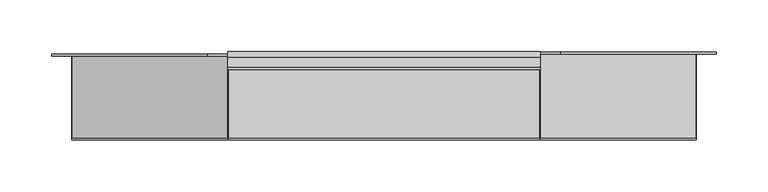
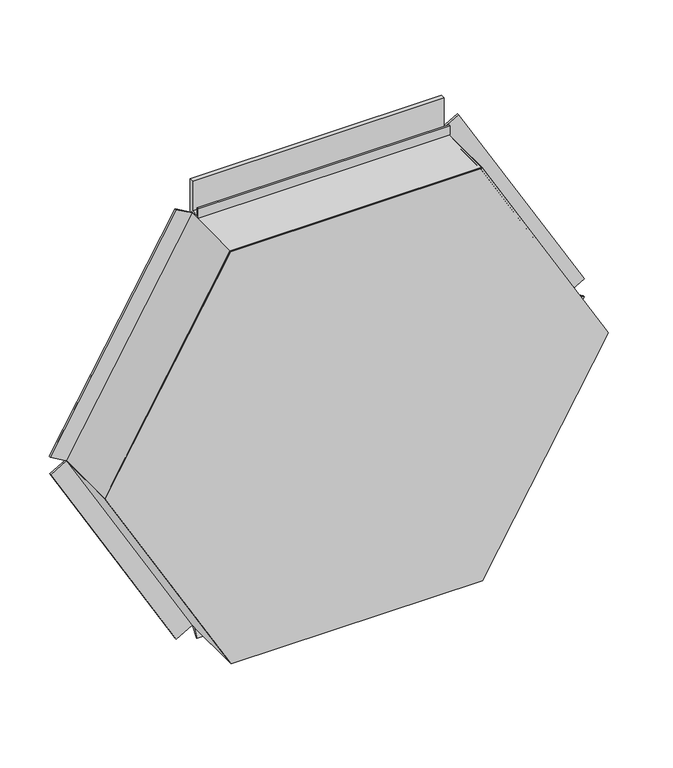
"""IFC4 building model written with IfcOpenShell, lengths in millimetres: proxy geometry."""

from ifc_helpers import new_model, si_unit, frame, origin, place, context, project, spatial, polyline, outline, extrude, source, transform, mapped, element, save


def generic_models_7b3b4bcc(model_context):
    return source(origin(), model_context, "Body", "SweptSolid", [
        extrude(outline(polyline([(-78.8, 0.0), (0.0, 0.0), (0.0, 22.0), (2.0, 22.0), (2.0, 0.0), (2.0, -2.0), (-78.8, -2.0), (-78.8, 0.0)])), frame((-0.001605, -4.2, 0.0027799), z_axis=(-0.49999732699885757, 0.0, 0.8660269470368677), x_axis=(0.0, 1.0, 0.0)), (0.0, 0.0, 1.0), 300.0),
        extrude(outline(polyline([(-78.8, 0.0), (0.0, 0.0), (0.0, 22.0), (2.0, 22.0), (2.0, 0.0), (2.0, -2.0), (-78.8, -2.0), (-78.8, 0.0)])), frame((-150.111605, -4.2, 259.9972201), z_axis=(0.49999732699885974, 0.0, 0.8660269470368664), x_axis=(0.0, 1.0, 0.0)), (0.0, 0.0, 1.0), 300.0),
        extrude(outline(polyline([(0.0, 0.0), (2.0, 0.0), (2.0, -83.0), (0.0, -83.0), (-22.0, -83.0), (-22.0, -81.0), (0.0, -81.0), (0.0, 0.0)])), frame((300.221605, -83.0, 0.0027799), z_axis=(0.49999732699886035, 0.0, 0.8660269470368661), x_axis=(-0.8660269470368661, 0.0, 0.49999732699886035)), (0.0, 0.0, 1.0), 300.0),
        extrude(outline(polyline([(0.0, 0.0), (2.0, 0.0), (2.0, -83.0), (0.0, -83.0), (-22.0, -83.0), (-22.0, -81.0), (0.0, -81.0), (0.0, 0.0)])), frame((450.331605, -83.0, 259.9972201), z_axis=(-0.49999732699885696, 0.0, 0.866026947036868), x_axis=(-0.866026947036868, 0.0, -0.49999732699885696)), (0.0, 0.0, 1.0), 300.0),
        extrude(outline(polyline([(-83.0, 518.0), (-83.0, 520.0), (-2.0, 520.0), (-2.0, 558.5), (-3.0, 558.5), (-3.0, 521.0), (-17.1, 521.0), (-17.1, 532.8), (-15.1, 532.8), (-15.1, 523.0), (-5.0, 523.0), (-5.0, 560.5), (0.0, 560.5), (0.0, 518.0), (-83.0, 518.0)])), frame((0.0, 0.0, 0.0), z_axis=(1.0, 0.0, 0.0), x_axis=(0.0, 1.0, 0.0)), (0.0, 0.0, 1.0), 300.22),
        extrude(outline(polyline([(-8.1635024, 0.0), (-83.0, 0.0), (-83.0, 2.0), (-5.6, 2.0), (-5.6, 0.1740539), (-13.4221074, -10.9961152), (-15.0603652, -9.8488963), (-8.1635024, 0.0)])), frame((0.0, 0.0, 0.0), z_axis=(1.0, 0.0, 0.0), x_axis=(0.0, 1.0, 0.0)), (0.0, 0.0, 1.0), 300.22),
        extrude(outline(polyline([(520.0, 0.0), (260.0, -150.11), (0.0, 0.0), (0.0, 300.22), (260.0, 450.33), (520.0, 300.22), (520.0, 0.0)])), frame((0.0, -85.0, 0.0), z_axis=(0.0, 1.0, 0.0), x_axis=(0.0, 0.0, 1.0)), (0.0, 0.0, 1.0), 2.0),
    ])


if __name__ == "__main__":
    model = new_model("IFC4")
    model_context = context("Model", 3, world=origin())
    ifc_project = project(units=[si_unit("LENGTHUNIT", "METRE", prefix="MILLI")], contexts=[model_context])
    site = spatial("IfcSite", under=ifc_project)
    building = spatial("IfcBuilding", under=site)
    placement = place(None, origin())
    generic_models_shape = generic_models_7b3b4bcc(model_context)
    element("IfcBuildingElementProxy", 1, Name="Generic Models", at=placement, inside=building, context=model_context, shape_type="MappedRepresentation", body=[
        mapped(generic_models_shape, transform((0.0, 0.0, 0.0), x_axis=(1.0, 0.0, 0.0), y_axis=(0.0, 1.0, 0.0), z_axis=(0.0, 0.0, 1.0))),
    ])
    save(model, "model.ifc")
